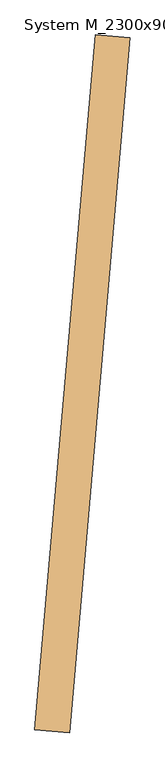
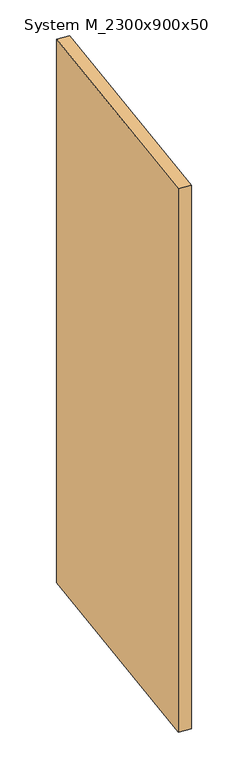
"""IFC4 building model written with IfcOpenShell, lengths in millimetres: door geometry, System M_2300x900x50."""

from ifc_helpers import new_model, si_unit, frame, origin, place, context, project, spatial, polyline, outline, extrude, source, transform, mapped, element, save


def system_m_2300x900x50_c87fd6d8(model_context):
    return source(origin(), model_context, "Body", "SweptSolid", [
        extrude(outline(polyline([(103.3450359, 894.3963347), (16.1892932, -101.7983634), (-33.6204417, -97.4405762), (53.535301, 898.7541219), (103.3450359, 894.3963347)])), frame((0.0, 0.0, 11.0), z_axis=(0.0, 0.0, 1.0), x_axis=(1.0, 0.0, 0.0)), (0.0, 0.0, 1.0), 2300.0),
    ])


if __name__ == "__main__":
    model = new_model("IFC4")
    model_context = context("Model", 3, world=origin())
    ifc_project = project(units=[si_unit("LENGTHUNIT", "METRE", prefix="MILLI")], contexts=[model_context])
    site = spatial("IfcSite", under=ifc_project)
    building = spatial("IfcBuilding", under=site)
    placement = place(None, origin())
    system_m_2300x900x50_shape = system_m_2300x900x50_c87fd6d8(model_context)
    element("IfcDoor", 1, ObjectType="System M_2300x900x50", at=placement, inside=building, context=model_context, shape_type="MappedRepresentation", body=[
        mapped(system_m_2300x900x50_shape, transform((0.0, 0.0, 0.0), x_axis=(1.0, 0.0, 0.0), y_axis=(0.0, 1.0, 0.0), z_axis=(0.0, 0.0, 1.0))),
    ])
    save(model, "model.ifc")
